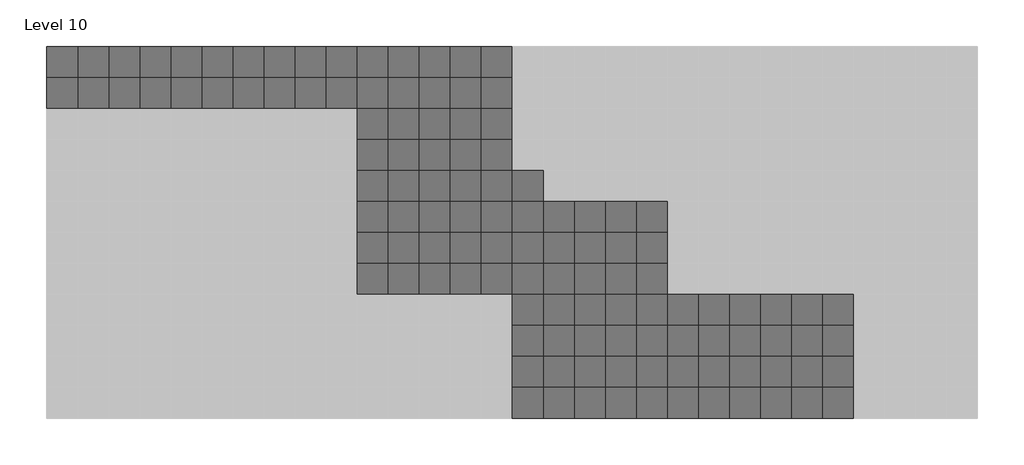
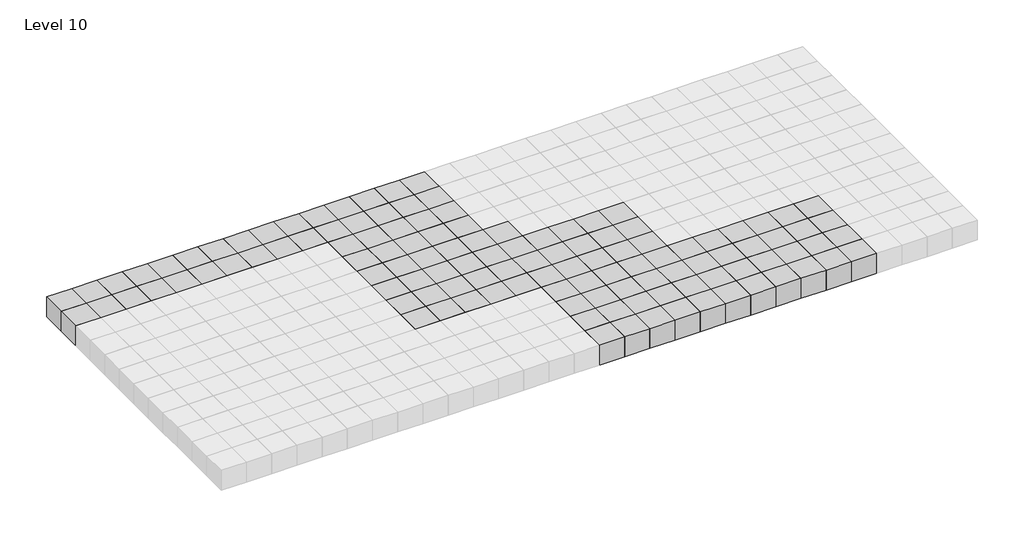
# One storey, part 2 of 3: 120 proxies.
"""IFC4 building model written with IfcOpenShell, lengths in millimetres."""

import ifcopenshell
import ifcopenshell.guid

model = None  # the IFC model being written
_history = None  # IfcOwnerHistory: only IFC2X3 demands one
_inside = {}  # id of a spatial element -> (the spatial element, [elements in it])
_under = {}  # id of a project, library or spatial element -> (it, [spatial elements below it])
_declared = {}  # id of a project -> (the project, [libraries it declares])
_typed = {}  # id of a type object -> (the type object, [elements of that type])
_made_of = {}  # id of a material, layer set ... -> (it, [elements and type objects made of it])


def new_model(schema):
    """Start an empty IFC model of exactly this schema.

    Asked for "IFC4X3", IfcOpenShell would pick the latest addendum, in which some entities
    have other attributes; the version numbers below select the first issue.
    IFC2X3 requires an IfcOwnerHistory on every rooted entity: one is made here for all.
    """
    global model, _history
    if schema == "IFC4X3":
        model = ifcopenshell.file(schema_version=(4, 3, 0, 0))
    else:
        model = ifcopenshell.file(schema=schema)
    _inside.clear()
    _under.clear()
    _declared.clear()
    _typed.clear()
    _made_of.clear()
    _history = None
    if model.schema == "IFC2X3":
        org = make("IfcOrganization", Name="unknown")
        user = make(
            "IfcPersonAndOrganization",
            ThePerson=make("IfcPerson", FamilyName="unknown"),
            TheOrganization=org,
        )
        app = make(
            "IfcApplication",
            ApplicationDeveloper=org,
            Version="unknown",
            ApplicationFullName="unknown",
            ApplicationIdentifier="unknown",
        )
        _history = make(
            "IfcOwnerHistory",
            OwningUser=user,
            OwningApplication=app,
            ChangeAction="ADDED",
            CreationDate=0,
        )
    return model


def make(cls, **values):
    """One entity of the class cls with the attributes given. An attribute that is None is left unset."""
    return model.create_entity(
        cls, **{name: value for name, value in values.items() if value is not None}
    )


def rooted(cls, **values):
    """An entity with a GlobalId (a new one), such as an element, a storey or a relation."""
    return make(cls, GlobalId=ifcopenshell.guid.new(), OwnerHistory=_history, **values)


def si_unit(unit_type, name, prefix=None):
    """IfcSIUnit, for example si_unit("LENGTHUNIT", "METRE", prefix="MILLI")."""
    return make("IfcSIUnit", UnitType=unit_type, Prefix=prefix, Name=name)


def assignment(units):
    """IfcUnitAssignment: the units of a project."""
    return None if units is None else make("IfcUnitAssignment", Units=units)


def point(xyz):
    """IfcCartesianPoint."""
    return None if xyz is None else make("IfcCartesianPoint", Coordinates=xyz)


def direction(xyz):
    """IfcDirection."""
    return None if xyz is None else make("IfcDirection", DirectionRatios=xyz)


def frame(location, z_axis=None, x_axis=None):
    """IfcAxis2Placement3D, a coordinate frame: its origin and axes. An axis left out is left unset."""
    return make(
        "IfcAxis2Placement3D",
        Location=point(location),
        Axis=direction(z_axis),
        RefDirection=direction(x_axis),
    )


def origin():
    """The frame at (0, 0, 0) with its axes left unset."""
    return frame((0.0, 0.0, 0.0))


def origin_with_axes():
    """The frame at (0, 0, 0) with the z axis (0, 0, 1) and the x axis (1, 0, 0) written out."""
    return frame((0.0, 0.0, 0.0), z_axis=(0.0, 0.0, 1.0), x_axis=(1.0, 0.0, 0.0))


def place(relative_to, where):
    """IfcLocalPlacement: puts the frame where relative to a parent placement (None: the world)."""
    return make(
        "IfcLocalPlacement", PlacementRelTo=relative_to, RelativePlacement=where
    )


def context(
    kind, dimensions, precision=None, world=None, true_north=None, identifier=None
):
    """IfcGeometricRepresentationContext, for example the 3D "Model" context."""
    return make(
        "IfcGeometricRepresentationContext",
        ContextIdentifier=identifier,
        ContextType=kind,
        CoordinateSpaceDimension=dimensions,
        Precision=precision,
        WorldCoordinateSystem=world,
        TrueNorth=true_north,
    )


def project(units=None, contexts=None):
    """IfcProject with its units and contexts."""
    return rooted(
        "IfcProject",
        Name="project",
        RepresentationContexts=contexts,
        UnitsInContext=assignment(units),
    )


def spatial(cls, under=None, at=None, **own):
    """A site, building, storey or space (cls), placed at a placement, below another one or the project."""
    s = rooted(cls, ObjectPlacement=at, **own)
    if under is not None:
        _under.setdefault(under.id(), (under, []))[1].append(s)
    return s


def polyline(points):
    """IfcPolyline through the points."""
    return make("IfcPolyline", Points=[point(p) for p in points])


def outline(outer, holes=None, kind="AREA"):
    """IfcArbitraryClosedProfileDef: a profile drawn as a closed curve; with holes, ...WithVoids."""
    if holes is None:
        return make("IfcArbitraryClosedProfileDef", ProfileType=kind, OuterCurve=outer)
    return make(
        "IfcArbitraryProfileDefWithVoids",
        ProfileType=kind,
        OuterCurve=outer,
        InnerCurves=holes,
    )


def extrude(swept, where, along, depth):
    """IfcExtrudedAreaSolid: the profile swept, set in the frame where, extruded along a direction by depth."""
    return make(
        "IfcExtrudedAreaSolid",
        SweptArea=swept,
        Position=where,
        ExtrudedDirection=direction(along),
        Depth=depth,
    )


def shape(context_of_items, identifier, shape_type, items):
    """IfcShapeRepresentation: the items that make up one representation, for example the "Body"."""
    return make(
        "IfcShapeRepresentation",
        ContextOfItems=context_of_items,
        RepresentationIdentifier=identifier,
        RepresentationType=shape_type,
        Items=items,
    )


def source(mapping_origin, context_of_items, identifier, shape_type, items):
    """IfcRepresentationMap: a shape defined once, which mapped items show again and again."""
    return make(
        "IfcRepresentationMap",
        MappingOrigin=mapping_origin,
        MappedRepresentation=shape(context_of_items, identifier, shape_type, items),
    )


def transform(
    local_origin,
    x_axis=None,
    y_axis=None,
    z_axis=None,
    scale=None,
    scale2=None,
    scale3=None,
    uniform=True,
):
    """IfcCartesianTransformationOperator3D, or its non-uniform kind. x_axis, y_axis, z_axis: its Axis1, 2, 3."""
    if uniform:
        return make(
            "IfcCartesianTransformationOperator3D",
            Axis1=direction(x_axis),
            Axis2=direction(y_axis),
            LocalOrigin=point(local_origin),
            Scale=scale,
            Axis3=direction(z_axis),
        )
    return make(
        "IfcCartesianTransformationOperator3DnonUniform",
        Axis1=direction(x_axis),
        Axis2=direction(y_axis),
        LocalOrigin=point(local_origin),
        Scale=scale,
        Axis3=direction(z_axis),
        Scale2=scale2,
        Scale3=scale3,
    )


def mapped(mapping_source, mapping_target):
    """IfcMappedItem: shows the shape of a source again, moved by a transform."""
    return make(
        "IfcMappedItem", MappingSource=mapping_source, MappingTarget=mapping_target
    )


def made_of(thing, what):
    """Note that an element or type object is made of a material, layer set ...; save() writes the relation."""
    if what is not None:
        _made_of.setdefault(what.id(), (what, []))[1].append(thing)
    return thing


def element(
    cls,
    number,
    at=None,
    inside=None,
    cuts=None,
    type_object=None,
    material=None,
    context=None,
    identifier="Body",
    shape_type=None,
    held_by="IfcProductDefinitionShape",
    body=None,
    shapes=None,
    **own,
):
    """One element of the class cls, such as IfcWall. Its Tag is "e" and its number.

    at: its placement. inside: the storey or other place that contains it. cuts: it is an
    opening in that element (IfcRelVoidsElement). A single representation is given by context,
    identifier, shape_type and body (its items); several are given by shapes. held_by: the class
    of the entity that holds the representations. save() writes the other relations.
    """
    e = rooted(cls, Tag="e%d" % number, ObjectPlacement=at, **own)
    if body is not None:
        shapes = [shape(context, identifier, shape_type, body)]
    if shapes is not None:
        e.Representation = make(held_by, Representations=shapes)
    if inside is not None:
        _inside.setdefault(inside.id(), (inside, []))[1].append(e)
    if cuts is not None:
        rooted(
            "IfcRelVoidsElement", RelatingBuildingElement=cuts, RelatedOpeningElement=e
        )
    if type_object is not None:
        _typed.setdefault(type_object.id(), (type_object, []))[1].append(e)
    return made_of(e, material)


def aggregate(whole, parts):
    """IfcRelAggregates: a whole, such as a stair, and the parts it consists of."""
    return rooted("IfcRelAggregates", RelatingObject=whole, RelatedObjects=parts)


def save(model, path):
    """Write the relations noted so far, then the file.

    IfcRelAggregates (storeys below a building ...), IfcRelContainedInSpatialStructure (elements
    in a storey), IfcRelDefinesByType, IfcRelAssociatesMaterial and IfcRelDeclares: one each for
    every whole, place, type object, material and project.
    """
    for whole, parts in _under.values():
        aggregate(whole, parts)
    for where, things in _inside.values():
        rooted(
            "IfcRelContainedInSpatialStructure",
            RelatedElements=things,
            RelatingStructure=where,
        )
    for kind, things in _typed.values():
        rooted("IfcRelDefinesByType", RelatedObjects=things, RelatingType=kind)
    for what, things in _made_of.values():
        rooted("IfcRelAssociatesMaterial", RelatedObjects=things, RelatingMaterial=what)
    for by, libraries in _declared.values():
        rooted("IfcRelDeclares", RelatingContext=by, RelatedDefinitions=libraries)
    model.write(path)


def family1_family1_3ff121e7(model_context):
    return source(origin(), model_context, "Body", "SweptSolid", [
        extrude(outline(polyline([(1500.0, 1500.0), (1500.0, -1500.0), (-1500.0, -1500.0), (-1500.0, 1500.0), (1500.0, 1500.0)])), origin_with_axes(), (0.0, 0.0, 1.0), 2500.0),
    ])


model = new_model("IFC4")

# Units and contexts
model_context = context("Model", 3, world=origin())
ifc_project = project(units=[si_unit("LENGTHUNIT", "METRE", prefix="MILLI")], contexts=[model_context])

# Site, building, storey
site = spatial("IfcSite", under=ifc_project)
building = spatial("IfcBuilding", under=site)
storey = spatial("IfcBuildingStorey", under=building, Name="Level 10", Elevation=22500.0)

# Proxies
placement = place(None, origin())
family1_family1_shape = family1_family1_3ff121e7(model_context)
element("IfcBuildingElementProxy", 1, Name="Family1 : Family1", ObjectType="Family1 : Family1", at=placement, inside=storey, context=model_context, shape_type="MappedRepresentation", body=[
    mapped(family1_family1_shape, transform((1230.8235721, 4214.6480914, 22500.0), x_axis=(1.0, 0.0, 0.0), y_axis=(0.0, 1.0, 0.0), z_axis=(0.0, 0.0, 1.0))),
])
element("IfcBuildingElementProxy", 2, Name="Family1 : Family1", ObjectType="Family1 : Family1", at=placement, inside=storey, context=model_context, shape_type="MappedRepresentation", body=[
    mapped(family1_family1_shape, transform((4230.8235721, 4214.6480914, 22500.0), x_axis=(1.0, 0.0, 0.0), y_axis=(0.0, 1.0, 0.0), z_axis=(0.0, 0.0, 1.0))),
])
element("IfcBuildingElementProxy", 3, Name="Family1 : Family1", ObjectType="Family1 : Family1", at=placement, inside=storey, context=model_context, shape_type="MappedRepresentation", body=[
    mapped(family1_family1_shape, transform((7230.8235721, 4214.6480914, 22500.0), x_axis=(1.0, 0.0, 0.0), y_axis=(0.0, 1.0, 0.0), z_axis=(0.0, 0.0, 1.0))),
])
element("IfcBuildingElementProxy", 4, Name="Family1 : Family1", ObjectType="Family1 : Family1", at=placement, inside=storey, context=model_context, shape_type="MappedRepresentation", body=[
    mapped(family1_family1_shape, transform((10230.8235721, 4214.6480914, 22500.0), x_axis=(1.0, 0.0, 0.0), y_axis=(0.0, 1.0, 0.0), z_axis=(0.0, 0.0, 1.0))),
])
element("IfcBuildingElementProxy", 5, Name="Family1 : Family1", ObjectType="Family1 : Family1", at=placement, inside=storey, context=model_context, shape_type="MappedRepresentation", body=[
    mapped(family1_family1_shape, transform((13230.8235721, 4214.6480914, 22500.0), x_axis=(1.0, 0.0, 0.0), y_axis=(0.0, 1.0, 0.0), z_axis=(0.0, 0.0, 1.0))),
])
element("IfcBuildingElementProxy", 6, Name="Family1 : Family1", ObjectType="Family1 : Family1", at=placement, inside=storey, context=model_context, shape_type="MappedRepresentation", body=[
    mapped(family1_family1_shape, transform((16230.8235721, 4214.6480914, 22500.0), x_axis=(1.0, 0.0, 0.0), y_axis=(0.0, 1.0, 0.0), z_axis=(0.0, 0.0, 1.0))),
])
element("IfcBuildingElementProxy", 7, Name="Family1 : Family1", ObjectType="Family1 : Family1", at=placement, inside=storey, context=model_context, shape_type="MappedRepresentation", body=[
    mapped(family1_family1_shape, transform((19230.8235721, 4214.6480914, 22500.0), x_axis=(1.0, 0.0, 0.0), y_axis=(0.0, 1.0, 0.0), z_axis=(0.0, 0.0, 1.0))),
])
element("IfcBuildingElementProxy", 8, Name="Family1 : Family1", ObjectType="Family1 : Family1", at=placement, inside=storey, context=model_context, shape_type="MappedRepresentation", body=[
    mapped(family1_family1_shape, transform((22230.8235721, 4214.6480914, 22500.0), x_axis=(1.0, 0.0, 0.0), y_axis=(0.0, 1.0, 0.0), z_axis=(0.0, 0.0, 1.0))),
])
element("IfcBuildingElementProxy", 9, Name="Family1 : Family1", ObjectType="Family1 : Family1", at=placement, inside=storey, context=model_context, shape_type="MappedRepresentation", body=[
    mapped(family1_family1_shape, transform((25230.8235721, 4214.6480914, 22500.0), x_axis=(1.0, 0.0, 0.0), y_axis=(0.0, 1.0, 0.0), z_axis=(0.0, 0.0, 1.0))),
])
element("IfcBuildingElementProxy", 10, Name="Family1 : Family1", ObjectType="Family1 : Family1", at=placement, inside=storey, context=model_context, shape_type="MappedRepresentation", body=[
    mapped(family1_family1_shape, transform((28230.8235721, 4214.6480914, 22500.0), x_axis=(1.0, 0.0, 0.0), y_axis=(0.0, 1.0, 0.0), z_axis=(0.0, 0.0, 1.0))),
])
element("IfcBuildingElementProxy", 11, Name="Family1 : Family1", ObjectType="Family1 : Family1", at=placement, inside=storey, context=model_context, shape_type="MappedRepresentation", body=[
    mapped(family1_family1_shape, transform((31230.8235721, 4214.6480914, 22500.0), x_axis=(1.0, 0.0, 0.0), y_axis=(0.0, 1.0, 0.0), z_axis=(0.0, 0.0, 1.0))),
])
element("IfcBuildingElementProxy", 12, Name="Family1 : Family1", ObjectType="Family1 : Family1", at=placement, inside=storey, context=model_context, shape_type="MappedRepresentation", body=[
    mapped(family1_family1_shape, transform((1230.8235721, 7214.6480914, 22500.0), x_axis=(1.0, 0.0, 0.0), y_axis=(0.0, 1.0, 0.0), z_axis=(0.0, 0.0, 1.0))),
])
element("IfcBuildingElementProxy", 13, Name="Family1 : Family1", ObjectType="Family1 : Family1", at=placement, inside=storey, context=model_context, shape_type="MappedRepresentation", body=[
    mapped(family1_family1_shape, transform((4230.8235721, 7214.6480914, 22500.0), x_axis=(1.0, 0.0, 0.0), y_axis=(0.0, 1.0, 0.0), z_axis=(0.0, 0.0, 1.0))),
])
element("IfcBuildingElementProxy", 14, Name="Family1 : Family1", ObjectType="Family1 : Family1", at=placement, inside=storey, context=model_context, shape_type="MappedRepresentation", body=[
    mapped(family1_family1_shape, transform((7230.8235721, 7214.6480914, 22500.0), x_axis=(1.0, 0.0, 0.0), y_axis=(0.0, 1.0, 0.0), z_axis=(0.0, 0.0, 1.0))),
])
element("IfcBuildingElementProxy", 15, Name="Family1 : Family1", ObjectType="Family1 : Family1", at=placement, inside=storey, context=model_context, shape_type="MappedRepresentation", body=[
    mapped(family1_family1_shape, transform((10230.8235721, 7214.6480914, 22500.0), x_axis=(1.0, 0.0, 0.0), y_axis=(0.0, 1.0, 0.0), z_axis=(0.0, 0.0, 1.0))),
])
element("IfcBuildingElementProxy", 16, Name="Family1 : Family1", ObjectType="Family1 : Family1", at=placement, inside=storey, context=model_context, shape_type="MappedRepresentation", body=[
    mapped(family1_family1_shape, transform((13230.8235721, 7214.6480914, 22500.0), x_axis=(1.0, 0.0, 0.0), y_axis=(0.0, 1.0, 0.0), z_axis=(0.0, 0.0, 1.0))),
])
element("IfcBuildingElementProxy", 17, Name="Family1 : Family1", ObjectType="Family1 : Family1", at=placement, inside=storey, context=model_context, shape_type="MappedRepresentation", body=[
    mapped(family1_family1_shape, transform((16230.8235721, 7214.6480914, 22500.0), x_axis=(1.0, 0.0, 0.0), y_axis=(0.0, 1.0, 0.0), z_axis=(0.0, 0.0, 1.0))),
])
element("IfcBuildingElementProxy", 18, Name="Family1 : Family1", ObjectType="Family1 : Family1", at=placement, inside=storey, context=model_context, shape_type="MappedRepresentation", body=[
    mapped(family1_family1_shape, transform((19230.8235721, 7214.6480914, 22500.0), x_axis=(1.0, 0.0, 0.0), y_axis=(0.0, 1.0, 0.0), z_axis=(0.0, 0.0, 1.0))),
])
element("IfcBuildingElementProxy", 19, Name="Family1 : Family1", ObjectType="Family1 : Family1", at=placement, inside=storey, context=model_context, shape_type="MappedRepresentation", body=[
    mapped(family1_family1_shape, transform((22230.8235721, 7214.6480914, 22500.0), x_axis=(1.0, 0.0, 0.0), y_axis=(0.0, 1.0, 0.0), z_axis=(0.0, 0.0, 1.0))),
])
element("IfcBuildingElementProxy", 20, Name="Family1 : Family1", ObjectType="Family1 : Family1", at=placement, inside=storey, context=model_context, shape_type="MappedRepresentation", body=[
    mapped(family1_family1_shape, transform((25230.8235721, 7214.6480914, 22500.0), x_axis=(1.0, 0.0, 0.0), y_axis=(0.0, 1.0, 0.0), z_axis=(0.0, 0.0, 1.0))),
])
element("IfcBuildingElementProxy", 21, Name="Family1 : Family1", ObjectType="Family1 : Family1", at=placement, inside=storey, context=model_context, shape_type="MappedRepresentation", body=[
    mapped(family1_family1_shape, transform((28230.8235721, 7214.6480914, 22500.0), x_axis=(1.0, 0.0, 0.0), y_axis=(0.0, 1.0, 0.0), z_axis=(0.0, 0.0, 1.0))),
])
element("IfcBuildingElementProxy", 22, Name="Family1 : Family1", ObjectType="Family1 : Family1", at=placement, inside=storey, context=model_context, shape_type="MappedRepresentation", body=[
    mapped(family1_family1_shape, transform((31230.8235721, 7214.6480914, 22500.0), x_axis=(1.0, 0.0, 0.0), y_axis=(0.0, 1.0, 0.0), z_axis=(0.0, 0.0, 1.0))),
])
element("IfcBuildingElementProxy", 23, Name="Family1 : Family1", ObjectType="Family1 : Family1", at=placement, inside=storey, context=model_context, shape_type="MappedRepresentation", body=[
    mapped(family1_family1_shape, transform((1230.8235721, 10214.6480914, 22500.0), x_axis=(1.0, 0.0, 0.0), y_axis=(0.0, 1.0, 0.0), z_axis=(0.0, 0.0, 1.0))),
])
element("IfcBuildingElementProxy", 24, Name="Family1 : Family1", ObjectType="Family1 : Family1", at=placement, inside=storey, context=model_context, shape_type="MappedRepresentation", body=[
    mapped(family1_family1_shape, transform((4230.8235721, 10214.6480914, 22500.0), x_axis=(1.0, 0.0, 0.0), y_axis=(0.0, 1.0, 0.0), z_axis=(0.0, 0.0, 1.0))),
])
element("IfcBuildingElementProxy", 25, Name="Family1 : Family1", ObjectType="Family1 : Family1", at=placement, inside=storey, context=model_context, shape_type="MappedRepresentation", body=[
    mapped(family1_family1_shape, transform((7230.8235721, 10214.6480914, 22500.0), x_axis=(1.0, 0.0, 0.0), y_axis=(0.0, 1.0, 0.0), z_axis=(0.0, 0.0, 1.0))),
])
element("IfcBuildingElementProxy", 26, Name="Family1 : Family1", ObjectType="Family1 : Family1", at=placement, inside=storey, context=model_context, shape_type="MappedRepresentation", body=[
    mapped(family1_family1_shape, transform((10230.8235721, 10214.6480914, 22500.0), x_axis=(1.0, 0.0, 0.0), y_axis=(0.0, 1.0, 0.0), z_axis=(0.0, 0.0, 1.0))),
])
element("IfcBuildingElementProxy", 27, Name="Family1 : Family1", ObjectType="Family1 : Family1", at=placement, inside=storey, context=model_context, shape_type="MappedRepresentation", body=[
    mapped(family1_family1_shape, transform((13230.8235721, 10214.6480914, 22500.0), x_axis=(1.0, 0.0, 0.0), y_axis=(0.0, 1.0, 0.0), z_axis=(0.0, 0.0, 1.0))),
])
element("IfcBuildingElementProxy", 28, Name="Family1 : Family1", ObjectType="Family1 : Family1", at=placement, inside=storey, context=model_context, shape_type="MappedRepresentation", body=[
    mapped(family1_family1_shape, transform((16230.8235721, 10214.6480914, 22500.0), x_axis=(1.0, 0.0, 0.0), y_axis=(0.0, 1.0, 0.0), z_axis=(0.0, 0.0, 1.0))),
])
element("IfcBuildingElementProxy", 29, Name="Family1 : Family1", ObjectType="Family1 : Family1", at=placement, inside=storey, context=model_context, shape_type="MappedRepresentation", body=[
    mapped(family1_family1_shape, transform((19230.8235721, 10214.6480914, 22500.0), x_axis=(1.0, 0.0, 0.0), y_axis=(0.0, 1.0, 0.0), z_axis=(0.0, 0.0, 1.0))),
])
element("IfcBuildingElementProxy", 30, Name="Family1 : Family1", ObjectType="Family1 : Family1", at=placement, inside=storey, context=model_context, shape_type="MappedRepresentation", body=[
    mapped(family1_family1_shape, transform((22230.8235721, 10214.6480914, 22500.0), x_axis=(1.0, 0.0, 0.0), y_axis=(0.0, 1.0, 0.0), z_axis=(0.0, 0.0, 1.0))),
])
element("IfcBuildingElementProxy", 31, Name="Family1 : Family1", ObjectType="Family1 : Family1", at=placement, inside=storey, context=model_context, shape_type="MappedRepresentation", body=[
    mapped(family1_family1_shape, transform((25230.8235721, 10214.6480914, 22500.0), x_axis=(1.0, 0.0, 0.0), y_axis=(0.0, 1.0, 0.0), z_axis=(0.0, 0.0, 1.0))),
])
element("IfcBuildingElementProxy", 32, Name="Family1 : Family1", ObjectType="Family1 : Family1", at=placement, inside=storey, context=model_context, shape_type="MappedRepresentation", body=[
    mapped(family1_family1_shape, transform((28230.8235721, 10214.6480914, 22500.0), x_axis=(1.0, 0.0, 0.0), y_axis=(0.0, 1.0, 0.0), z_axis=(0.0, 0.0, 1.0))),
])
element("IfcBuildingElementProxy", 33, Name="Family1 : Family1", ObjectType="Family1 : Family1", at=placement, inside=storey, context=model_context, shape_type="MappedRepresentation", body=[
    mapped(family1_family1_shape, transform((31230.8235721, 10214.6480914, 22500.0), x_axis=(1.0, 0.0, 0.0), y_axis=(0.0, 1.0, 0.0), z_axis=(0.0, 0.0, 1.0))),
])
element("IfcBuildingElementProxy", 34, Name="Family1 : Family1", ObjectType="Family1 : Family1", at=placement, inside=storey, context=model_context, shape_type="MappedRepresentation", body=[
    mapped(family1_family1_shape, transform((1230.8235721, 13214.6480914, 22500.0), x_axis=(1.0, 0.0, 0.0), y_axis=(0.0, 1.0, 0.0), z_axis=(0.0, 0.0, 1.0))),
])
element("IfcBuildingElementProxy", 35, Name="Family1 : Family1", ObjectType="Family1 : Family1", at=placement, inside=storey, context=model_context, shape_type="MappedRepresentation", body=[
    mapped(family1_family1_shape, transform((4230.8235721, 13214.6480914, 22500.0), x_axis=(1.0, 0.0, 0.0), y_axis=(0.0, 1.0, 0.0), z_axis=(0.0, 0.0, 1.0))),
])
element("IfcBuildingElementProxy", 36, Name="Family1 : Family1", ObjectType="Family1 : Family1", at=placement, inside=storey, context=model_context, shape_type="MappedRepresentation", body=[
    mapped(family1_family1_shape, transform((7230.8235721, 13214.6480914, 22500.0), x_axis=(1.0, 0.0, 0.0), y_axis=(0.0, 1.0, 0.0), z_axis=(0.0, 0.0, 1.0))),
])
element("IfcBuildingElementProxy", 37, Name="Family1 : Family1", ObjectType="Family1 : Family1", at=placement, inside=storey, context=model_context, shape_type="MappedRepresentation", body=[
    mapped(family1_family1_shape, transform((10230.8235721, 13214.6480914, 22500.0), x_axis=(1.0, 0.0, 0.0), y_axis=(0.0, 1.0, 0.0), z_axis=(0.0, 0.0, 1.0))),
])
element("IfcBuildingElementProxy", 38, Name="Family1 : Family1", ObjectType="Family1 : Family1", at=placement, inside=storey, context=model_context, shape_type="MappedRepresentation", body=[
    mapped(family1_family1_shape, transform((13230.8235721, 13214.6480914, 22500.0), x_axis=(1.0, 0.0, 0.0), y_axis=(0.0, 1.0, 0.0), z_axis=(0.0, 0.0, 1.0))),
])
element("IfcBuildingElementProxy", 39, Name="Family1 : Family1", ObjectType="Family1 : Family1", at=placement, inside=storey, context=model_context, shape_type="MappedRepresentation", body=[
    mapped(family1_family1_shape, transform((16230.8235721, 13214.6480914, 22500.0), x_axis=(1.0, 0.0, 0.0), y_axis=(0.0, 1.0, 0.0), z_axis=(0.0, 0.0, 1.0))),
])
element("IfcBuildingElementProxy", 40, Name="Family1 : Family1", ObjectType="Family1 : Family1", at=placement, inside=storey, context=model_context, shape_type="MappedRepresentation", body=[
    mapped(family1_family1_shape, transform((19230.8235721, 13214.6480914, 22500.0), x_axis=(1.0, 0.0, 0.0), y_axis=(0.0, 1.0, 0.0), z_axis=(0.0, 0.0, 1.0))),
])
element("IfcBuildingElementProxy", 41, Name="Family1 : Family1", ObjectType="Family1 : Family1", at=placement, inside=storey, context=model_context, shape_type="MappedRepresentation", body=[
    mapped(family1_family1_shape, transform((22230.8235721, 13214.6480914, 22500.0), x_axis=(1.0, 0.0, 0.0), y_axis=(0.0, 1.0, 0.0), z_axis=(0.0, 0.0, 1.0))),
])
element("IfcBuildingElementProxy", 42, Name="Family1 : Family1", ObjectType="Family1 : Family1", at=placement, inside=storey, context=model_context, shape_type="MappedRepresentation", body=[
    mapped(family1_family1_shape, transform((25230.8235721, 13214.6480914, 22500.0), x_axis=(1.0, 0.0, 0.0), y_axis=(0.0, 1.0, 0.0), z_axis=(0.0, 0.0, 1.0))),
])
element("IfcBuildingElementProxy", 43, Name="Family1 : Family1", ObjectType="Family1 : Family1", at=placement, inside=storey, context=model_context, shape_type="MappedRepresentation", body=[
    mapped(family1_family1_shape, transform((28230.8235721, 13214.6480914, 22500.0), x_axis=(1.0, 0.0, 0.0), y_axis=(0.0, 1.0, 0.0), z_axis=(0.0, 0.0, 1.0))),
])
element("IfcBuildingElementProxy", 44, Name="Family1 : Family1", ObjectType="Family1 : Family1", at=placement, inside=storey, context=model_context, shape_type="MappedRepresentation", body=[
    mapped(family1_family1_shape, transform((31230.8235721, 13214.6480914, 22500.0), x_axis=(1.0, 0.0, 0.0), y_axis=(0.0, 1.0, 0.0), z_axis=(0.0, 0.0, 1.0))),
])
element("IfcBuildingElementProxy", 45, Name="Family1 : Family1", ObjectType="Family1 : Family1", at=placement, inside=storey, context=model_context, shape_type="MappedRepresentation", body=[
    mapped(family1_family1_shape, transform((-13769.1764279, 16214.6480914, 22500.0), x_axis=(1.0, 0.0, 0.0), y_axis=(0.0, 1.0, 0.0), z_axis=(0.0, 0.0, 1.0))),
])
element("IfcBuildingElementProxy", 46, Name="Family1 : Family1", ObjectType="Family1 : Family1", at=placement, inside=storey, context=model_context, shape_type="MappedRepresentation", body=[
    mapped(family1_family1_shape, transform((-10769.1764279, 16214.6480914, 22500.0), x_axis=(1.0, 0.0, 0.0), y_axis=(0.0, 1.0, 0.0), z_axis=(0.0, 0.0, 1.0))),
])
element("IfcBuildingElementProxy", 47, Name="Family1 : Family1", ObjectType="Family1 : Family1", at=placement, inside=storey, context=model_context, shape_type="MappedRepresentation", body=[
    mapped(family1_family1_shape, transform((-7769.1764279, 16214.6480914, 22500.0), x_axis=(1.0, 0.0, 0.0), y_axis=(0.0, 1.0, 0.0), z_axis=(0.0, 0.0, 1.0))),
])
element("IfcBuildingElementProxy", 48, Name="Family1 : Family1", ObjectType="Family1 : Family1", at=placement, inside=storey, context=model_context, shape_type="MappedRepresentation", body=[
    mapped(family1_family1_shape, transform((-4769.1764279, 16214.6480914, 22500.0), x_axis=(1.0, 0.0, 0.0), y_axis=(0.0, 1.0, 0.0), z_axis=(0.0, 0.0, 1.0))),
])
element("IfcBuildingElementProxy", 49, Name="Family1 : Family1", ObjectType="Family1 : Family1", at=placement, inside=storey, context=model_context, shape_type="MappedRepresentation", body=[
    mapped(family1_family1_shape, transform((-1769.1764279, 16214.6480914, 22500.0), x_axis=(1.0, 0.0, 0.0), y_axis=(0.0, 1.0, 0.0), z_axis=(0.0, 0.0, 1.0))),
])
element("IfcBuildingElementProxy", 50, Name="Family1 : Family1", ObjectType="Family1 : Family1", at=placement, inside=storey, context=model_context, shape_type="MappedRepresentation", body=[
    mapped(family1_family1_shape, transform((1230.8235721, 16214.6480914, 22500.0), x_axis=(1.0, 0.0, 0.0), y_axis=(0.0, 1.0, 0.0), z_axis=(0.0, 0.0, 1.0))),
])
element("IfcBuildingElementProxy", 51, Name="Family1 : Family1", ObjectType="Family1 : Family1", at=placement, inside=storey, context=model_context, shape_type="MappedRepresentation", body=[
    mapped(family1_family1_shape, transform((4230.8235721, 16214.6480914, 22500.0), x_axis=(1.0, 0.0, 0.0), y_axis=(0.0, 1.0, 0.0), z_axis=(0.0, 0.0, 1.0))),
])
element("IfcBuildingElementProxy", 52, Name="Family1 : Family1", ObjectType="Family1 : Family1", at=placement, inside=storey, context=model_context, shape_type="MappedRepresentation", body=[
    mapped(family1_family1_shape, transform((7230.8235721, 16214.6480914, 22500.0), x_axis=(1.0, 0.0, 0.0), y_axis=(0.0, 1.0, 0.0), z_axis=(0.0, 0.0, 1.0))),
])
element("IfcBuildingElementProxy", 53, Name="Family1 : Family1", ObjectType="Family1 : Family1", at=placement, inside=storey, context=model_context, shape_type="MappedRepresentation", body=[
    mapped(family1_family1_shape, transform((10230.8235721, 16214.6480914, 22500.0), x_axis=(1.0, 0.0, 0.0), y_axis=(0.0, 1.0, 0.0), z_axis=(0.0, 0.0, 1.0))),
])
element("IfcBuildingElementProxy", 54, Name="Family1 : Family1", ObjectType="Family1 : Family1", at=placement, inside=storey, context=model_context, shape_type="MappedRepresentation", body=[
    mapped(family1_family1_shape, transform((13230.8235721, 16214.6480914, 22500.0), x_axis=(1.0, 0.0, 0.0), y_axis=(0.0, 1.0, 0.0), z_axis=(0.0, 0.0, 1.0))),
])
element("IfcBuildingElementProxy", 55, Name="Family1 : Family1", ObjectType="Family1 : Family1", at=placement, inside=storey, context=model_context, shape_type="MappedRepresentation", body=[
    mapped(family1_family1_shape, transform((-13769.1764279, 19214.6480914, 22500.0), x_axis=(1.0, 0.0, 0.0), y_axis=(0.0, 1.0, 0.0), z_axis=(0.0, 0.0, 1.0))),
])
element("IfcBuildingElementProxy", 56, Name="Family1 : Family1", ObjectType="Family1 : Family1", at=placement, inside=storey, context=model_context, shape_type="MappedRepresentation", body=[
    mapped(family1_family1_shape, transform((-10769.1764279, 19214.6480914, 22500.0), x_axis=(1.0, 0.0, 0.0), y_axis=(0.0, 1.0, 0.0), z_axis=(0.0, 0.0, 1.0))),
])
element("IfcBuildingElementProxy", 57, Name="Family1 : Family1", ObjectType="Family1 : Family1", at=placement, inside=storey, context=model_context, shape_type="MappedRepresentation", body=[
    mapped(family1_family1_shape, transform((-7769.1764279, 19214.6480914, 22500.0), x_axis=(1.0, 0.0, 0.0), y_axis=(0.0, 1.0, 0.0), z_axis=(0.0, 0.0, 1.0))),
])
element("IfcBuildingElementProxy", 58, Name="Family1 : Family1", ObjectType="Family1 : Family1", at=placement, inside=storey, context=model_context, shape_type="MappedRepresentation", body=[
    mapped(family1_family1_shape, transform((-4769.1764279, 19214.6480914, 22500.0), x_axis=(1.0, 0.0, 0.0), y_axis=(0.0, 1.0, 0.0), z_axis=(0.0, 0.0, 1.0))),
])
element("IfcBuildingElementProxy", 59, Name="Family1 : Family1", ObjectType="Family1 : Family1", at=placement, inside=storey, context=model_context, shape_type="MappedRepresentation", body=[
    mapped(family1_family1_shape, transform((-1769.1764279, 19214.6480914, 22500.0), x_axis=(1.0, 0.0, 0.0), y_axis=(0.0, 1.0, 0.0), z_axis=(0.0, 0.0, 1.0))),
])
element("IfcBuildingElementProxy", 60, Name="Family1 : Family1", ObjectType="Family1 : Family1", at=placement, inside=storey, context=model_context, shape_type="MappedRepresentation", body=[
    mapped(family1_family1_shape, transform((1230.8235721, 19214.6480914, 22500.0), x_axis=(1.0, 0.0, 0.0), y_axis=(0.0, 1.0, 0.0), z_axis=(0.0, 0.0, 1.0))),
])
element("IfcBuildingElementProxy", 61, Name="Family1 : Family1", ObjectType="Family1 : Family1", at=placement, inside=storey, context=model_context, shape_type="MappedRepresentation", body=[
    mapped(family1_family1_shape, transform((4230.8235721, 19214.6480914, 22500.0), x_axis=(1.0, 0.0, 0.0), y_axis=(0.0, 1.0, 0.0), z_axis=(0.0, 0.0, 1.0))),
])
element("IfcBuildingElementProxy", 62, Name="Family1 : Family1", ObjectType="Family1 : Family1", at=placement, inside=storey, context=model_context, shape_type="MappedRepresentation", body=[
    mapped(family1_family1_shape, transform((7230.8235721, 19214.6480914, 22500.0), x_axis=(1.0, 0.0, 0.0), y_axis=(0.0, 1.0, 0.0), z_axis=(0.0, 0.0, 1.0))),
])
element("IfcBuildingElementProxy", 63, Name="Family1 : Family1", ObjectType="Family1 : Family1", at=placement, inside=storey, context=model_context, shape_type="MappedRepresentation", body=[
    mapped(family1_family1_shape, transform((10230.8235721, 19214.6480914, 22500.0), x_axis=(1.0, 0.0, 0.0), y_axis=(0.0, 1.0, 0.0), z_axis=(0.0, 0.0, 1.0))),
])
element("IfcBuildingElementProxy", 64, Name="Family1 : Family1", ObjectType="Family1 : Family1", at=placement, inside=storey, context=model_context, shape_type="MappedRepresentation", body=[
    mapped(family1_family1_shape, transform((13230.8235721, 19214.6480914, 22500.0), x_axis=(1.0, 0.0, 0.0), y_axis=(0.0, 1.0, 0.0), z_axis=(0.0, 0.0, 1.0))),
])
element("IfcBuildingElementProxy", 65, Name="Family1 : Family1", ObjectType="Family1 : Family1", at=placement, inside=storey, context=model_context, shape_type="MappedRepresentation", body=[
    mapped(family1_family1_shape, transform((-13769.1764279, 22214.6480914, 22500.0), x_axis=(1.0, 0.0, 0.0), y_axis=(0.0, 1.0, 0.0), z_axis=(0.0, 0.0, 1.0))),
])
element("IfcBuildingElementProxy", 66, Name="Family1 : Family1", ObjectType="Family1 : Family1", at=placement, inside=storey, context=model_context, shape_type="MappedRepresentation", body=[
    mapped(family1_family1_shape, transform((-10769.1764279, 22214.6480914, 22500.0), x_axis=(1.0, 0.0, 0.0), y_axis=(0.0, 1.0, 0.0), z_axis=(0.0, 0.0, 1.0))),
])
element("IfcBuildingElementProxy", 67, Name="Family1 : Family1", ObjectType="Family1 : Family1", at=placement, inside=storey, context=model_context, shape_type="MappedRepresentation", body=[
    mapped(family1_family1_shape, transform((-7769.1764279, 22214.6480914, 22500.0), x_axis=(1.0, 0.0, 0.0), y_axis=(0.0, 1.0, 0.0), z_axis=(0.0, 0.0, 1.0))),
])
element("IfcBuildingElementProxy", 68, Name="Family1 : Family1", ObjectType="Family1 : Family1", at=placement, inside=storey, context=model_context, shape_type="MappedRepresentation", body=[
    mapped(family1_family1_shape, transform((-4769.1764279, 22214.6480914, 22500.0), x_axis=(1.0, 0.0, 0.0), y_axis=(0.0, 1.0, 0.0), z_axis=(0.0, 0.0, 1.0))),
])
element("IfcBuildingElementProxy", 69, Name="Family1 : Family1", ObjectType="Family1 : Family1", at=placement, inside=storey, context=model_context, shape_type="MappedRepresentation", body=[
    mapped(family1_family1_shape, transform((-1769.1764279, 22214.6480914, 22500.0), x_axis=(1.0, 0.0, 0.0), y_axis=(0.0, 1.0, 0.0), z_axis=(0.0, 0.0, 1.0))),
])
element("IfcBuildingElementProxy", 70, Name="Family1 : Family1", ObjectType="Family1 : Family1", at=placement, inside=storey, context=model_context, shape_type="MappedRepresentation", body=[
    mapped(family1_family1_shape, transform((1230.8235721, 22214.6480914, 22500.0), x_axis=(1.0, 0.0, 0.0), y_axis=(0.0, 1.0, 0.0), z_axis=(0.0, 0.0, 1.0))),
])
element("IfcBuildingElementProxy", 71, Name="Family1 : Family1", ObjectType="Family1 : Family1", at=placement, inside=storey, context=model_context, shape_type="MappedRepresentation", body=[
    mapped(family1_family1_shape, transform((4230.8235721, 22214.6480914, 22500.0), x_axis=(1.0, 0.0, 0.0), y_axis=(0.0, 1.0, 0.0), z_axis=(0.0, 0.0, 1.0))),
])
element("IfcBuildingElementProxy", 72, Name="Family1 : Family1", ObjectType="Family1 : Family1", at=placement, inside=storey, context=model_context, shape_type="MappedRepresentation", body=[
    mapped(family1_family1_shape, transform((7230.8235721, 22214.6480914, 22500.0), x_axis=(1.0, 0.0, 0.0), y_axis=(0.0, 1.0, 0.0), z_axis=(0.0, 0.0, 1.0))),
])
element("IfcBuildingElementProxy", 73, Name="Family1 : Family1", ObjectType="Family1 : Family1", at=placement, inside=storey, context=model_context, shape_type="MappedRepresentation", body=[
    mapped(family1_family1_shape, transform((10230.8235721, 22214.6480914, 22500.0), x_axis=(1.0, 0.0, 0.0), y_axis=(0.0, 1.0, 0.0), z_axis=(0.0, 0.0, 1.0))),
])
element("IfcBuildingElementProxy", 74, Name="Family1 : Family1", ObjectType="Family1 : Family1", at=placement, inside=storey, context=model_context, shape_type="MappedRepresentation", body=[
    mapped(family1_family1_shape, transform((13230.8235721, 22214.6480914, 22500.0), x_axis=(1.0, 0.0, 0.0), y_axis=(0.0, 1.0, 0.0), z_axis=(0.0, 0.0, 1.0))),
])
element("IfcBuildingElementProxy", 75, Name="Family1 : Family1", ObjectType="Family1 : Family1", at=placement, inside=storey, context=model_context, shape_type="MappedRepresentation", body=[
    mapped(family1_family1_shape, transform((-13769.1764279, 25214.6480914, 22500.0), x_axis=(1.0, 0.0, 0.0), y_axis=(0.0, 1.0, 0.0), z_axis=(0.0, 0.0, 1.0))),
])
element("IfcBuildingElementProxy", 76, Name="Family1 : Family1", ObjectType="Family1 : Family1", at=placement, inside=storey, context=model_context, shape_type="MappedRepresentation", body=[
    mapped(family1_family1_shape, transform((-10769.1764279, 25214.6480914, 22500.0), x_axis=(1.0, 0.0, 0.0), y_axis=(0.0, 1.0, 0.0), z_axis=(0.0, 0.0, 1.0))),
])
element("IfcBuildingElementProxy", 77, Name="Family1 : Family1", ObjectType="Family1 : Family1", at=placement, inside=storey, context=model_context, shape_type="MappedRepresentation", body=[
    mapped(family1_family1_shape, transform((-7769.1764279, 25214.6480914, 22500.0), x_axis=(1.0, 0.0, 0.0), y_axis=(0.0, 1.0, 0.0), z_axis=(0.0, 0.0, 1.0))),
])
element("IfcBuildingElementProxy", 78, Name="Family1 : Family1", ObjectType="Family1 : Family1", at=placement, inside=storey, context=model_context, shape_type="MappedRepresentation", body=[
    mapped(family1_family1_shape, transform((-4769.1764279, 25214.6480914, 22500.0), x_axis=(1.0, 0.0, 0.0), y_axis=(0.0, 1.0, 0.0), z_axis=(0.0, 0.0, 1.0))),
])
element("IfcBuildingElementProxy", 79, Name="Family1 : Family1", ObjectType="Family1 : Family1", at=placement, inside=storey, context=model_context, shape_type="MappedRepresentation", body=[
    mapped(family1_family1_shape, transform((-1769.1764279, 25214.6480914, 22500.0), x_axis=(1.0, 0.0, 0.0), y_axis=(0.0, 1.0, 0.0), z_axis=(0.0, 0.0, 1.0))),
])
element("IfcBuildingElementProxy", 80, Name="Family1 : Family1", ObjectType="Family1 : Family1", at=placement, inside=storey, context=model_context, shape_type="MappedRepresentation", body=[
    mapped(family1_family1_shape, transform((1230.8235721, 25214.6480914, 22500.0), x_axis=(1.0, 0.0, 0.0), y_axis=(0.0, 1.0, 0.0), z_axis=(0.0, 0.0, 1.0))),
])
element("IfcBuildingElementProxy", 81, Name="Family1 : Family1", ObjectType="Family1 : Family1", at=placement, inside=storey, context=model_context, shape_type="MappedRepresentation", body=[
    mapped(family1_family1_shape, transform((-13769.1764279, 28214.6480914, 22500.0), x_axis=(1.0, 0.0, 0.0), y_axis=(0.0, 1.0, 0.0), z_axis=(0.0, 0.0, 1.0))),
])
element("IfcBuildingElementProxy", 82, Name="Family1 : Family1", ObjectType="Family1 : Family1", at=placement, inside=storey, context=model_context, shape_type="MappedRepresentation", body=[
    mapped(family1_family1_shape, transform((-10769.1764279, 28214.6480914, 22500.0), x_axis=(1.0, 0.0, 0.0), y_axis=(0.0, 1.0, 0.0), z_axis=(0.0, 0.0, 1.0))),
])
element("IfcBuildingElementProxy", 83, Name="Family1 : Family1", ObjectType="Family1 : Family1", at=placement, inside=storey, context=model_context, shape_type="MappedRepresentation", body=[
    mapped(family1_family1_shape, transform((-7769.1764279, 28214.6480914, 22500.0), x_axis=(1.0, 0.0, 0.0), y_axis=(0.0, 1.0, 0.0), z_axis=(0.0, 0.0, 1.0))),
])
element("IfcBuildingElementProxy", 84, Name="Family1 : Family1", ObjectType="Family1 : Family1", at=placement, inside=storey, context=model_context, shape_type="MappedRepresentation", body=[
    mapped(family1_family1_shape, transform((-4769.1764279, 28214.6480914, 22500.0), x_axis=(1.0, 0.0, 0.0), y_axis=(0.0, 1.0, 0.0), z_axis=(0.0, 0.0, 1.0))),
])
element("IfcBuildingElementProxy", 85, Name="Family1 : Family1", ObjectType="Family1 : Family1", at=placement, inside=storey, context=model_context, shape_type="MappedRepresentation", body=[
    mapped(family1_family1_shape, transform((-1769.1764279, 28214.6480914, 22500.0), x_axis=(1.0, 0.0, 0.0), y_axis=(0.0, 1.0, 0.0), z_axis=(0.0, 0.0, 1.0))),
])
element("IfcBuildingElementProxy", 86, Name="Family1 : Family1", ObjectType="Family1 : Family1", at=placement, inside=storey, context=model_context, shape_type="MappedRepresentation", body=[
    mapped(family1_family1_shape, transform((-13769.1764279, 31214.6480914, 22500.0), x_axis=(1.0, 0.0, 0.0), y_axis=(0.0, 1.0, 0.0), z_axis=(0.0, 0.0, 1.0))),
])
element("IfcBuildingElementProxy", 87, Name="Family1 : Family1", ObjectType="Family1 : Family1", at=placement, inside=storey, context=model_context, shape_type="MappedRepresentation", body=[
    mapped(family1_family1_shape, transform((-10769.1764279, 31214.6480914, 22500.0), x_axis=(1.0, 0.0, 0.0), y_axis=(0.0, 1.0, 0.0), z_axis=(0.0, 0.0, 1.0))),
])
element("IfcBuildingElementProxy", 88, Name="Family1 : Family1", ObjectType="Family1 : Family1", at=placement, inside=storey, context=model_context, shape_type="MappedRepresentation", body=[
    mapped(family1_family1_shape, transform((-7769.1764279, 31214.6480914, 22500.0), x_axis=(1.0, 0.0, 0.0), y_axis=(0.0, 1.0, 0.0), z_axis=(0.0, 0.0, 1.0))),
])
element("IfcBuildingElementProxy", 89, Name="Family1 : Family1", ObjectType="Family1 : Family1", at=placement, inside=storey, context=model_context, shape_type="MappedRepresentation", body=[
    mapped(family1_family1_shape, transform((-4769.1764279, 31214.6480914, 22500.0), x_axis=(1.0, 0.0, 0.0), y_axis=(0.0, 1.0, 0.0), z_axis=(0.0, 0.0, 1.0))),
])
element("IfcBuildingElementProxy", 90, Name="Family1 : Family1", ObjectType="Family1 : Family1", at=placement, inside=storey, context=model_context, shape_type="MappedRepresentation", body=[
    mapped(family1_family1_shape, transform((-1769.1764279, 31214.6480914, 22500.0), x_axis=(1.0, 0.0, 0.0), y_axis=(0.0, 1.0, 0.0), z_axis=(0.0, 0.0, 1.0))),
])
element("IfcBuildingElementProxy", 91, Name="Family1 : Family1", ObjectType="Family1 : Family1", at=placement, inside=storey, context=model_context, shape_type="MappedRepresentation", body=[
    mapped(family1_family1_shape, transform((-43769.1764279, 34214.6480914, 22500.0), x_axis=(1.0, 0.0, 0.0), y_axis=(0.0, 1.0, 0.0), z_axis=(0.0, 0.0, 1.0))),
])
element("IfcBuildingElementProxy", 92, Name="Family1 : Family1", ObjectType="Family1 : Family1", at=placement, inside=storey, context=model_context, shape_type="MappedRepresentation", body=[
    mapped(family1_family1_shape, transform((-40769.1764279, 34214.6480914, 22500.0), x_axis=(1.0, 0.0, 0.0), y_axis=(0.0, 1.0, 0.0), z_axis=(0.0, 0.0, 1.0))),
])
element("IfcBuildingElementProxy", 93, Name="Family1 : Family1", ObjectType="Family1 : Family1", at=placement, inside=storey, context=model_context, shape_type="MappedRepresentation", body=[
    mapped(family1_family1_shape, transform((-37769.1764279, 34214.6480914, 22500.0), x_axis=(1.0, 0.0, 0.0), y_axis=(0.0, 1.0, 0.0), z_axis=(0.0, 0.0, 1.0))),
])
element("IfcBuildingElementProxy", 94, Name="Family1 : Family1", ObjectType="Family1 : Family1", at=placement, inside=storey, context=model_context, shape_type="MappedRepresentation", body=[
    mapped(family1_family1_shape, transform((-34769.1764279, 34214.6480914, 22500.0), x_axis=(1.0, 0.0, 0.0), y_axis=(0.0, 1.0, 0.0), z_axis=(0.0, 0.0, 1.0))),
])
element("IfcBuildingElementProxy", 95, Name="Family1 : Family1", ObjectType="Family1 : Family1", at=placement, inside=storey, context=model_context, shape_type="MappedRepresentation", body=[
    mapped(family1_family1_shape, transform((-31769.1764279, 34214.6480914, 22500.0), x_axis=(1.0, 0.0, 0.0), y_axis=(0.0, 1.0, 0.0), z_axis=(0.0, 0.0, 1.0))),
])
element("IfcBuildingElementProxy", 96, Name="Family1 : Family1", ObjectType="Family1 : Family1", at=placement, inside=storey, context=model_context, shape_type="MappedRepresentation", body=[
    mapped(family1_family1_shape, transform((-28769.1764279, 34214.6480914, 22500.0), x_axis=(1.0, 0.0, 0.0), y_axis=(0.0, 1.0, 0.0), z_axis=(0.0, 0.0, 1.0))),
])
element("IfcBuildingElementProxy", 97, Name="Family1 : Family1", ObjectType="Family1 : Family1", at=placement, inside=storey, context=model_context, shape_type="MappedRepresentation", body=[
    mapped(family1_family1_shape, transform((-25769.1764279, 34214.6480914, 22500.0), x_axis=(1.0, 0.0, 0.0), y_axis=(0.0, 1.0, 0.0), z_axis=(0.0, 0.0, 1.0))),
])
element("IfcBuildingElementProxy", 98, Name="Family1 : Family1", ObjectType="Family1 : Family1", at=placement, inside=storey, context=model_context, shape_type="MappedRepresentation", body=[
    mapped(family1_family1_shape, transform((-22769.1764279, 34214.6480914, 22500.0), x_axis=(1.0, 0.0, 0.0), y_axis=(0.0, 1.0, 0.0), z_axis=(0.0, 0.0, 1.0))),
])
element("IfcBuildingElementProxy", 99, Name="Family1 : Family1", ObjectType="Family1 : Family1", at=placement, inside=storey, context=model_context, shape_type="MappedRepresentation", body=[
    mapped(family1_family1_shape, transform((-19769.1764279, 34214.6480914, 22500.0), x_axis=(1.0, 0.0, 0.0), y_axis=(0.0, 1.0, 0.0), z_axis=(0.0, 0.0, 1.0))),
])
element("IfcBuildingElementProxy", 100, Name="Family1 : Family1", ObjectType="Family1 : Family1", at=placement, inside=storey, context=model_context, shape_type="MappedRepresentation", body=[
    mapped(family1_family1_shape, transform((-16769.1764279, 34214.6480914, 22500.0), x_axis=(1.0, 0.0, 0.0), y_axis=(0.0, 1.0, 0.0), z_axis=(0.0, 0.0, 1.0))),
])
element("IfcBuildingElementProxy", 101, Name="Family1 : Family1", ObjectType="Family1 : Family1", at=placement, inside=storey, context=model_context, shape_type="MappedRepresentation", body=[
    mapped(family1_family1_shape, transform((-13769.1764279, 34214.6480914, 22500.0), x_axis=(1.0, 0.0, 0.0), y_axis=(0.0, 1.0, 0.0), z_axis=(0.0, 0.0, 1.0))),
])
element("IfcBuildingElementProxy", 102, Name="Family1 : Family1", ObjectType="Family1 : Family1", at=placement, inside=storey, context=model_context, shape_type="MappedRepresentation", body=[
    mapped(family1_family1_shape, transform((-10769.1764279, 34214.6480914, 22500.0), x_axis=(1.0, 0.0, 0.0), y_axis=(0.0, 1.0, 0.0), z_axis=(0.0, 0.0, 1.0))),
])
element("IfcBuildingElementProxy", 103, Name="Family1 : Family1", ObjectType="Family1 : Family1", at=placement, inside=storey, context=model_context, shape_type="MappedRepresentation", body=[
    mapped(family1_family1_shape, transform((-7769.1764279, 34214.6480914, 22500.0), x_axis=(1.0, 0.0, 0.0), y_axis=(0.0, 1.0, 0.0), z_axis=(0.0, 0.0, 1.0))),
])
element("IfcBuildingElementProxy", 104, Name="Family1 : Family1", ObjectType="Family1 : Family1", at=placement, inside=storey, context=model_context, shape_type="MappedRepresentation", body=[
    mapped(family1_family1_shape, transform((-4769.1764279, 34214.6480914, 22500.0), x_axis=(1.0, 0.0, 0.0), y_axis=(0.0, 1.0, 0.0), z_axis=(0.0, 0.0, 1.0))),
])
element("IfcBuildingElementProxy", 105, Name="Family1 : Family1", ObjectType="Family1 : Family1", at=placement, inside=storey, context=model_context, shape_type="MappedRepresentation", body=[
    mapped(family1_family1_shape, transform((-1769.1764279, 34214.6480914, 22500.0), x_axis=(1.0, 0.0, 0.0), y_axis=(0.0, 1.0, 0.0), z_axis=(0.0, 0.0, 1.0))),
])
element("IfcBuildingElementProxy", 106, Name="Family1 : Family1", ObjectType="Family1 : Family1", at=placement, inside=storey, context=model_context, shape_type="MappedRepresentation", body=[
    mapped(family1_family1_shape, transform((-43769.1764279, 37214.6480914, 22500.0), x_axis=(1.0, 0.0, 0.0), y_axis=(0.0, 1.0, 0.0), z_axis=(0.0, 0.0, 1.0))),
])
element("IfcBuildingElementProxy", 107, Name="Family1 : Family1", ObjectType="Family1 : Family1", at=placement, inside=storey, context=model_context, shape_type="MappedRepresentation", body=[
    mapped(family1_family1_shape, transform((-40769.1764279, 37214.6480914, 22500.0), x_axis=(1.0, 0.0, 0.0), y_axis=(0.0, 1.0, 0.0), z_axis=(0.0, 0.0, 1.0))),
])
element("IfcBuildingElementProxy", 108, Name="Family1 : Family1", ObjectType="Family1 : Family1", at=placement, inside=storey, context=model_context, shape_type="MappedRepresentation", body=[
    mapped(family1_family1_shape, transform((-37769.1764279, 37214.6480914, 22500.0), x_axis=(1.0, 0.0, 0.0), y_axis=(0.0, 1.0, 0.0), z_axis=(0.0, 0.0, 1.0))),
])
element("IfcBuildingElementProxy", 109, Name="Family1 : Family1", ObjectType="Family1 : Family1", at=placement, inside=storey, context=model_context, shape_type="MappedRepresentation", body=[
    mapped(family1_family1_shape, transform((-34769.1764279, 37214.6480914, 22500.0), x_axis=(1.0, 0.0, 0.0), y_axis=(0.0, 1.0, 0.0), z_axis=(0.0, 0.0, 1.0))),
])
element("IfcBuildingElementProxy", 110, Name="Family1 : Family1", ObjectType="Family1 : Family1", at=placement, inside=storey, context=model_context, shape_type="MappedRepresentation", body=[
    mapped(family1_family1_shape, transform((-31769.1764279, 37214.6480914, 22500.0), x_axis=(1.0, 0.0, 0.0), y_axis=(0.0, 1.0, 0.0), z_axis=(0.0, 0.0, 1.0))),
])
element("IfcBuildingElementProxy", 111, Name="Family1 : Family1", ObjectType="Family1 : Family1", at=placement, inside=storey, context=model_context, shape_type="MappedRepresentation", body=[
    mapped(family1_family1_shape, transform((-28769.1764279, 37214.6480914, 22500.0), x_axis=(1.0, 0.0, 0.0), y_axis=(0.0, 1.0, 0.0), z_axis=(0.0, 0.0, 1.0))),
])
element("IfcBuildingElementProxy", 112, Name="Family1 : Family1", ObjectType="Family1 : Family1", at=placement, inside=storey, context=model_context, shape_type="MappedRepresentation", body=[
    mapped(family1_family1_shape, transform((-25769.1764279, 37214.6480914, 22500.0), x_axis=(1.0, 0.0, 0.0), y_axis=(0.0, 1.0, 0.0), z_axis=(0.0, 0.0, 1.0))),
])
element("IfcBuildingElementProxy", 113, Name="Family1 : Family1", ObjectType="Family1 : Family1", at=placement, inside=storey, context=model_context, shape_type="MappedRepresentation", body=[
    mapped(family1_family1_shape, transform((-22769.1764279, 37214.6480914, 22500.0), x_axis=(1.0, 0.0, 0.0), y_axis=(0.0, 1.0, 0.0), z_axis=(0.0, 0.0, 1.0))),
])
element("IfcBuildingElementProxy", 114, Name="Family1 : Family1", ObjectType="Family1 : Family1", at=placement, inside=storey, context=model_context, shape_type="MappedRepresentation", body=[
    mapped(family1_family1_shape, transform((-19769.1764279, 37214.6480914, 22500.0), x_axis=(1.0, 0.0, 0.0), y_axis=(0.0, 1.0, 0.0), z_axis=(0.0, 0.0, 1.0))),
])
element("IfcBuildingElementProxy", 115, Name="Family1 : Family1", ObjectType="Family1 : Family1", at=placement, inside=storey, context=model_context, shape_type="MappedRepresentation", body=[
    mapped(family1_family1_shape, transform((-16769.1764279, 37214.6480914, 22500.0), x_axis=(1.0, 0.0, 0.0), y_axis=(0.0, 1.0, 0.0), z_axis=(0.0, 0.0, 1.0))),
])
element("IfcBuildingElementProxy", 116, Name="Family1 : Family1", ObjectType="Family1 : Family1", at=placement, inside=storey, context=model_context, shape_type="MappedRepresentation", body=[
    mapped(family1_family1_shape, transform((-13769.1764279, 37214.6480914, 22500.0), x_axis=(1.0, 0.0, 0.0), y_axis=(0.0, 1.0, 0.0), z_axis=(0.0, 0.0, 1.0))),
])
element("IfcBuildingElementProxy", 117, Name="Family1 : Family1", ObjectType="Family1 : Family1", at=placement, inside=storey, context=model_context, shape_type="MappedRepresentation", body=[
    mapped(family1_family1_shape, transform((-10769.1764279, 37214.6480914, 22500.0), x_axis=(1.0, 0.0, 0.0), y_axis=(0.0, 1.0, 0.0), z_axis=(0.0, 0.0, 1.0))),
])
element("IfcBuildingElementProxy", 118, Name="Family1 : Family1", ObjectType="Family1 : Family1", at=placement, inside=storey, context=model_context, shape_type="MappedRepresentation", body=[
    mapped(family1_family1_shape, transform((-7769.1764279, 37214.6480914, 22500.0), x_axis=(1.0, 0.0, 0.0), y_axis=(0.0, 1.0, 0.0), z_axis=(0.0, 0.0, 1.0))),
])
element("IfcBuildingElementProxy", 119, Name="Family1 : Family1", ObjectType="Family1 : Family1", at=placement, inside=storey, context=model_context, shape_type="MappedRepresentation", body=[
    mapped(family1_family1_shape, transform((-4769.1764279, 37214.6480914, 22500.0), x_axis=(1.0, 0.0, 0.0), y_axis=(0.0, 1.0, 0.0), z_axis=(0.0, 0.0, 1.0))),
])
element("IfcBuildingElementProxy", 120, Name="Family1 : Family1", ObjectType="Family1 : Family1", at=placement, inside=storey, context=model_context, shape_type="MappedRepresentation", body=[
    mapped(family1_family1_shape, transform((-1769.1764279, 37214.6480914, 22500.0), x_axis=(1.0, 0.0, 0.0), y_axis=(0.0, 1.0, 0.0), z_axis=(0.0, 0.0, 1.0))),
])

save(model, "model.ifc")
